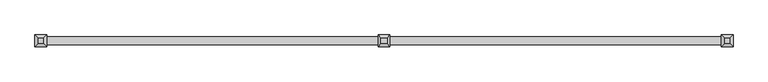
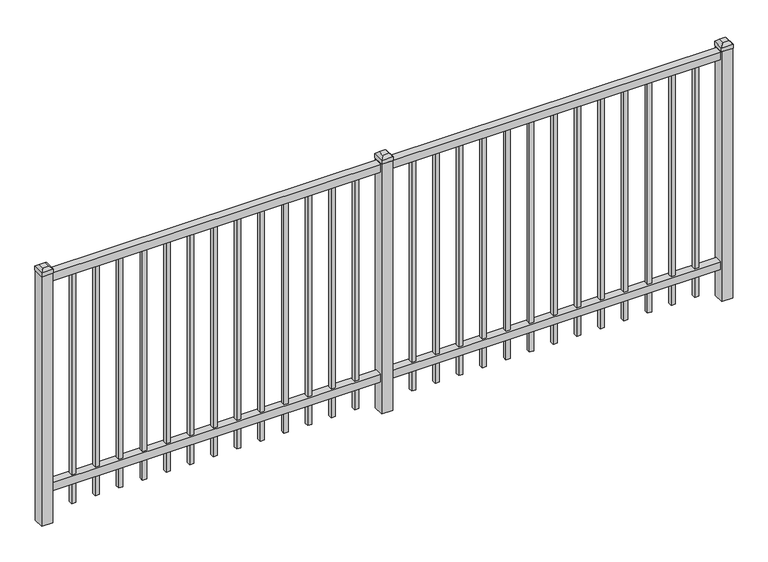
"""IFC4 building model written with IfcOpenShell, lengths in millimetres: railing geometry."""

import ifcopenshell
import ifcopenshell.guid

model = None  # the IFC model being written
_history = None  # IfcOwnerHistory: only IFC2X3 demands one
_inside = {}  # id of a spatial element -> (the spatial element, [elements in it])
_under = {}  # id of a project, library or spatial element -> (it, [spatial elements below it])
_declared = {}  # id of a project -> (the project, [libraries it declares])
_typed = {}  # id of a type object -> (the type object, [elements of that type])
_made_of = {}  # id of a material, layer set ... -> (it, [elements and type objects made of it])


def new_model(schema):
    """Start an empty IFC model of exactly this schema.

    Asked for "IFC4X3", IfcOpenShell would pick the latest addendum, in which some entities
    have other attributes; the version numbers below select the first issue.
    IFC2X3 requires an IfcOwnerHistory on every rooted entity: one is made here for all.
    """
    global model, _history
    if schema == "IFC4X3":
        model = ifcopenshell.file(schema_version=(4, 3, 0, 0))
    else:
        model = ifcopenshell.file(schema=schema)
    _inside.clear()
    _under.clear()
    _declared.clear()
    _typed.clear()
    _made_of.clear()
    _history = None
    if model.schema == "IFC2X3":
        org = make("IfcOrganization", Name="unknown")
        user = make(
            "IfcPersonAndOrganization",
            ThePerson=make("IfcPerson", FamilyName="unknown"),
            TheOrganization=org,
        )
        app = make(
            "IfcApplication",
            ApplicationDeveloper=org,
            Version="unknown",
            ApplicationFullName="unknown",
            ApplicationIdentifier="unknown",
        )
        _history = make(
            "IfcOwnerHistory",
            OwningUser=user,
            OwningApplication=app,
            ChangeAction="ADDED",
            CreationDate=0,
        )
    return model


def make(cls, **values):
    """One entity of the class cls with the attributes given. An attribute that is None is left unset."""
    return model.create_entity(
        cls, **{name: value for name, value in values.items() if value is not None}
    )


def rooted(cls, **values):
    """An entity with a GlobalId (a new one), such as an element, a storey or a relation."""
    return make(cls, GlobalId=ifcopenshell.guid.new(), OwnerHistory=_history, **values)


def si_unit(unit_type, name, prefix=None):
    """IfcSIUnit, for example si_unit("LENGTHUNIT", "METRE", prefix="MILLI")."""
    return make("IfcSIUnit", UnitType=unit_type, Prefix=prefix, Name=name)


def assignment(units):
    """IfcUnitAssignment: the units of a project."""
    return None if units is None else make("IfcUnitAssignment", Units=units)


def point(xyz):
    """IfcCartesianPoint."""
    return None if xyz is None else make("IfcCartesianPoint", Coordinates=xyz)


def direction(xyz):
    """IfcDirection."""
    return None if xyz is None else make("IfcDirection", DirectionRatios=xyz)


def frame(location, z_axis=None, x_axis=None):
    """IfcAxis2Placement3D, a coordinate frame: its origin and axes. An axis left out is left unset."""
    return make(
        "IfcAxis2Placement3D",
        Location=point(location),
        Axis=direction(z_axis),
        RefDirection=direction(x_axis),
    )


def origin():
    """The frame at (0, 0, 0) with its axes left unset."""
    return frame((0.0, 0.0, 0.0))


def origin_with_axes():
    """The frame at (0, 0, 0) with the z axis (0, 0, 1) and the x axis (1, 0, 0) written out."""
    return frame((0.0, 0.0, 0.0), z_axis=(0.0, 0.0, 1.0), x_axis=(1.0, 0.0, 0.0))


def place(relative_to, where):
    """IfcLocalPlacement: puts the frame where relative to a parent placement (None: the world)."""
    return make(
        "IfcLocalPlacement", PlacementRelTo=relative_to, RelativePlacement=where
    )


def context(
    kind, dimensions, precision=None, world=None, true_north=None, identifier=None
):
    """IfcGeometricRepresentationContext, for example the 3D "Model" context."""
    return make(
        "IfcGeometricRepresentationContext",
        ContextIdentifier=identifier,
        ContextType=kind,
        CoordinateSpaceDimension=dimensions,
        Precision=precision,
        WorldCoordinateSystem=world,
        TrueNorth=true_north,
    )


def project(units=None, contexts=None):
    """IfcProject with its units and contexts."""
    return rooted(
        "IfcProject",
        Name="project",
        RepresentationContexts=contexts,
        UnitsInContext=assignment(units),
    )


def spatial(cls, under=None, at=None, **own):
    """A site, building, storey or space (cls), placed at a placement, below another one or the project."""
    s = rooted(cls, ObjectPlacement=at, **own)
    if under is not None:
        _under.setdefault(under.id(), (under, []))[1].append(s)
    return s


def polyline(points):
    """IfcPolyline through the points."""
    return make("IfcPolyline", Points=[point(p) for p in points])


def outline(outer, holes=None, kind="AREA"):
    """IfcArbitraryClosedProfileDef: a profile drawn as a closed curve; with holes, ...WithVoids."""
    if holes is None:
        return make("IfcArbitraryClosedProfileDef", ProfileType=kind, OuterCurve=outer)
    return make(
        "IfcArbitraryProfileDefWithVoids",
        ProfileType=kind,
        OuterCurve=outer,
        InnerCurves=holes,
    )


def extrude(swept, where, along, depth):
    """IfcExtrudedAreaSolid: the profile swept, set in the frame where, extruded along a direction by depth."""
    return make(
        "IfcExtrudedAreaSolid",
        SweptArea=swept,
        Position=where,
        ExtrudedDirection=direction(along),
        Depth=depth,
    )


def faces_of(points, faces, orient=None, outer=None):
    """IfcFace entities. A face is a list of loops; a loop is a list of indices into points, from 0.

    orient and outer hold one flag for each loop. By default every Orientation is true, the
    first loop of a face is its IfcFaceOuterBound and the others are IfcFaceBound.
    """
    made = []
    for i, loops in enumerate(faces):
        bounds = []
        for j, loop in enumerate(loops):
            is_outer = j == 0 if outer is None else outer[i][j]
            bounds.append(
                make(
                    "IfcFaceOuterBound" if is_outer else "IfcFaceBound",
                    Bound=make("IfcPolyLoop", Polygon=[points[k] for k in loop]),
                    Orientation=True if orient is None else orient[i][j],
                )
            )
        made.append(make("IfcFace", Bounds=bounds))
    return made


def faceted_brep(points, faces, orient=None, outer=None, voids=None):
    """IfcFacetedBrep: a solid bounded by flat faces; with voids (closed shells), ...WithVoids."""
    shared = [point(p) for p in points]
    hull = make("IfcClosedShell", CfsFaces=faces_of(shared, faces, orient, outer))
    if voids is None:
        return make("IfcFacetedBrep", Outer=hull)
    return make(
        "IfcFacetedBrepWithVoids",
        Outer=hull,
        Voids=[
            make(cls, CfsFaces=faces_of(shared, fs, o, b)) for cls, fs, o, b in voids
        ],
    )


def shape(context_of_items, identifier, shape_type, items):
    """IfcShapeRepresentation: the items that make up one representation, for example the "Body"."""
    return make(
        "IfcShapeRepresentation",
        ContextOfItems=context_of_items,
        RepresentationIdentifier=identifier,
        RepresentationType=shape_type,
        Items=items,
    )


def source(mapping_origin, context_of_items, identifier, shape_type, items):
    """IfcRepresentationMap: a shape defined once, which mapped items show again and again."""
    return make(
        "IfcRepresentationMap",
        MappingOrigin=mapping_origin,
        MappedRepresentation=shape(context_of_items, identifier, shape_type, items),
    )


def transform(
    local_origin,
    x_axis=None,
    y_axis=None,
    z_axis=None,
    scale=None,
    scale2=None,
    scale3=None,
    uniform=True,
):
    """IfcCartesianTransformationOperator3D, or its non-uniform kind. x_axis, y_axis, z_axis: its Axis1, 2, 3."""
    if uniform:
        return make(
            "IfcCartesianTransformationOperator3D",
            Axis1=direction(x_axis),
            Axis2=direction(y_axis),
            LocalOrigin=point(local_origin),
            Scale=scale,
            Axis3=direction(z_axis),
        )
    return make(
        "IfcCartesianTransformationOperator3DnonUniform",
        Axis1=direction(x_axis),
        Axis2=direction(y_axis),
        LocalOrigin=point(local_origin),
        Scale=scale,
        Axis3=direction(z_axis),
        Scale2=scale2,
        Scale3=scale3,
    )


def mapped(mapping_source, mapping_target):
    """IfcMappedItem: shows the shape of a source again, moved by a transform."""
    return make(
        "IfcMappedItem", MappingSource=mapping_source, MappingTarget=mapping_target
    )


def made_of(thing, what):
    """Note that an element or type object is made of a material, layer set ...; save() writes the relation."""
    if what is not None:
        _made_of.setdefault(what.id(), (what, []))[1].append(thing)
    return thing


def element(
    cls,
    number,
    at=None,
    inside=None,
    cuts=None,
    type_object=None,
    material=None,
    context=None,
    identifier="Body",
    shape_type=None,
    held_by="IfcProductDefinitionShape",
    body=None,
    shapes=None,
    **own,
):
    """One element of the class cls, such as IfcWall. Its Tag is "e" and its number.

    at: its placement. inside: the storey or other place that contains it. cuts: it is an
    opening in that element (IfcRelVoidsElement). A single representation is given by context,
    identifier, shape_type and body (its items); several are given by shapes. held_by: the class
    of the entity that holds the representations. save() writes the other relations.
    """
    e = rooted(cls, Tag="e%d" % number, ObjectPlacement=at, **own)
    if body is not None:
        shapes = [shape(context, identifier, shape_type, body)]
    if shapes is not None:
        e.Representation = make(held_by, Representations=shapes)
    if inside is not None:
        _inside.setdefault(inside.id(), (inside, []))[1].append(e)
    if cuts is not None:
        rooted(
            "IfcRelVoidsElement", RelatingBuildingElement=cuts, RelatedOpeningElement=e
        )
    if type_object is not None:
        _typed.setdefault(type_object.id(), (type_object, []))[1].append(e)
    return made_of(e, material)


def aggregate(whole, parts):
    """IfcRelAggregates: a whole, such as a stair, and the parts it consists of."""
    return rooted("IfcRelAggregates", RelatingObject=whole, RelatedObjects=parts)


def save(model, path):
    """Write the relations noted so far, then the file.

    IfcRelAggregates (storeys below a building ...), IfcRelContainedInSpatialStructure (elements
    in a storey), IfcRelDefinesByType, IfcRelAssociatesMaterial and IfcRelDeclares: one each for
    every whole, place, type object, material and project.
    """
    for whole, parts in _under.values():
        aggregate(whole, parts)
    for where, things in _inside.values():
        rooted(
            "IfcRelContainedInSpatialStructure",
            RelatedElements=things,
            RelatingStructure=where,
        )
    for kind, things in _typed.values():
        rooted("IfcRelDefinesByType", RelatedObjects=things, RelatingType=kind)
    for what, things in _made_of.values():
        rooted("IfcRelAssociatesMaterial", RelatedObjects=things, RelatingMaterial=what)
    for by, libraries in _declared.values():
        rooted("IfcRelDeclares", RelatingContext=by, RelatedDefinitions=libraries)
    model.write(path)


def railing_e3d74f05(model_context):
    return source(origin(), model_context, "Body", "SolidModel", [
        extrude(outline(polyline([(-79633.318087, 5443.2804826), (-79633.318087, 5478.2054826), (-76483.718087, 5478.2054826), (-76483.718087, 5443.2804826), (-79633.318087, 5443.2804826)])), frame((0.0, 0.0, 1181.1), z_axis=(0.0, 0.0, 1.0), x_axis=(1.0, 0.0, 0.0)), (0.0, 0.0, 1.0), 38.1),
        extrude(outline(polyline([(-79633.318087, 5443.2804826), (-79633.318087, 5478.2054826), (-76483.718087, 5478.2054826), (-76483.718087, 5443.2804826), (-79633.318087, 5443.2804826)])), frame((0.0, 0.0, 152.4), z_axis=(0.0, 0.0, 1.0), x_axis=(1.0, 0.0, 0.0)), (0.0, 0.0, 1.0), 38.1),
        extrude(outline(polyline([(-76715.2285036, 5470.2679826), (-76715.2285036, 5451.2179826), (-76734.2785036, 5451.2179826), (-76734.2785036, 5470.2679826), (-76715.2285036, 5470.2679826)])), frame((0.0, 0.0, 50.8), z_axis=(0.0, 0.0, 1.0), x_axis=(1.0, 0.0, 0.0)), (0.0, 0.0, 1.0), 1130.3),
        extrude(outline(polyline([(-76824.5014203, 5470.2679826), (-76824.5014203, 5451.2179826), (-76843.5514203, 5451.2179826), (-76843.5514203, 5470.2679826), (-76824.5014203, 5470.2679826)])), frame((0.0, 0.0, 50.8), z_axis=(0.0, 0.0, 1.0), x_axis=(1.0, 0.0, 0.0)), (0.0, 0.0, 1.0), 1130.3),
        extrude(outline(polyline([(-76933.774337, 5470.2679826), (-76933.774337, 5451.2179826), (-76952.824337, 5451.2179826), (-76952.824337, 5470.2679826), (-76933.774337, 5470.2679826)])), frame((0.0, 0.0, 50.8), z_axis=(0.0, 0.0, 1.0), x_axis=(1.0, 0.0, 0.0)), (0.0, 0.0, 1.0), 1130.3),
        extrude(outline(polyline([(-77043.0472536, 5470.2679826), (-77043.0472536, 5451.2179826), (-77062.0972536, 5451.2179826), (-77062.0972536, 5470.2679826), (-77043.0472536, 5470.2679826)])), frame((0.0, 0.0, 50.8), z_axis=(0.0, 0.0, 1.0), x_axis=(1.0, 0.0, 0.0)), (0.0, 0.0, 1.0), 1130.3),
        extrude(outline(polyline([(-77152.3201703, 5470.2679826), (-77152.3201703, 5451.2179826), (-77171.3701703, 5451.2179826), (-77171.3701703, 5470.2679826), (-77152.3201703, 5470.2679826)])), frame((0.0, 0.0, 50.8), z_axis=(0.0, 0.0, 1.0), x_axis=(1.0, 0.0, 0.0)), (0.0, 0.0, 1.0), 1130.3),
        extrude(outline(polyline([(-77261.593087, 5470.2679826), (-77261.593087, 5451.2179826), (-77280.643087, 5451.2179826), (-77280.643087, 5470.2679826), (-77261.593087, 5470.2679826)])), frame((0.0, 0.0, 50.8), z_axis=(0.0, 0.0, 1.0), x_axis=(1.0, 0.0, 0.0)), (0.0, 0.0, 1.0), 1130.3),
        extrude(outline(polyline([(-77370.8660036, 5470.2679826), (-77370.8660036, 5451.2179826), (-77389.9160036, 5451.2179826), (-77389.9160036, 5470.2679826), (-77370.8660036, 5470.2679826)])), frame((0.0, 0.0, 50.8), z_axis=(0.0, 0.0, 1.0), x_axis=(1.0, 0.0, 0.0)), (0.0, 0.0, 1.0), 1130.3),
        extrude(outline(polyline([(-77480.1389203, 5470.2679826), (-77480.1389203, 5451.2179826), (-77499.1889203, 5451.2179826), (-77499.1889203, 5470.2679826), (-77480.1389203, 5470.2679826)])), frame((0.0, 0.0, 50.8), z_axis=(0.0, 0.0, 1.0), x_axis=(1.0, 0.0, 0.0)), (0.0, 0.0, 1.0), 1130.3),
        extrude(outline(polyline([(-77589.411837, 5470.2679826), (-77589.411837, 5451.2179826), (-77608.461837, 5451.2179826), (-77608.461837, 5470.2679826), (-77589.411837, 5470.2679826)])), frame((0.0, 0.0, 50.8), z_axis=(0.0, 0.0, 1.0), x_axis=(1.0, 0.0, 0.0)), (0.0, 0.0, 1.0), 1130.3),
        extrude(outline(polyline([(-77698.6847536, 5470.2679826), (-77698.6847536, 5451.2179826), (-77717.7347536, 5451.2179826), (-77717.7347536, 5470.2679826), (-77698.6847536, 5470.2679826)])), frame((0.0, 0.0, 50.8), z_axis=(0.0, 0.0, 1.0), x_axis=(1.0, 0.0, 0.0)), (0.0, 0.0, 1.0), 1130.3),
        extrude(outline(polyline([(-77807.9576703, 5470.2679826), (-77807.9576703, 5451.2179826), (-77827.0076703, 5451.2179826), (-77827.0076703, 5470.2679826), (-77807.9576703, 5470.2679826)])), frame((0.0, 0.0, 50.8), z_axis=(0.0, 0.0, 1.0), x_axis=(1.0, 0.0, 0.0)), (0.0, 0.0, 1.0), 1130.3),
        extrude(outline(polyline([(-76605.955587, 5470.2679826), (-76605.955587, 5451.2179826), (-76625.005587, 5451.2179826), (-76625.005587, 5470.2679826), (-76605.955587, 5470.2679826)])), frame((0.0, 0.0, 50.8), z_axis=(0.0, 0.0, 1.0), x_axis=(1.0, 0.0, 0.0)), (0.0, 0.0, 1.0), 1130.3),
        extrude(outline(polyline([(-77917.230587, 5470.2679826), (-77917.230587, 5451.2179826), (-77936.280587, 5451.2179826), (-77936.280587, 5470.2679826), (-77917.230587, 5470.2679826)])), frame((0.0, 0.0, 50.8), z_axis=(0.0, 0.0, 1.0), x_axis=(1.0, 0.0, 0.0)), (0.0, 0.0, 1.0), 1130.3),
        extrude(outline(polyline([(-78033.118087, 5486.1429826), (-78033.118087, 5435.3429826), (-78083.918087, 5435.3429826), (-78083.918087, 5486.1429826), (-78033.118087, 5486.1429826)])), origin_with_axes(), (0.0, 0.0, 1.0), 1225.55),
        faceted_brep([(-78085.505587, 5487.7304826, 1244.6), (-78085.505587, 5487.7304826, 1225.55), (-78085.505587, 5433.7554826, 1225.55), (-78085.505587, 5433.7554826, 1244.6), (-78072.805587, 5475.0304826, 1257.3), (-78072.805587, 5446.4554826, 1257.3), (-78031.530587, 5433.7554826, 1225.55), (-78031.530587, 5433.7554826, 1244.6), (-78044.230587, 5446.4554826, 1257.3), (-78031.530587, 5487.7304826, 1225.55), (-78031.530587, 5487.7304826, 1244.6), (-78044.230587, 5475.0304826, 1257.3)], [[[0, 1, 2, 3]], [[4, 0, 3, 5]], [[3, 2, 6, 7]], [[5, 3, 7, 8]], [[7, 6, 9, 10]], [[8, 7, 10, 11]], [[10, 9, 1, 0]], [[11, 10, 0, 4]], [[5, 8, 11, 4]], [[1, 9, 6, 2]]]),
        extrude(outline(polyline([(-78290.0285036, 5470.2679826), (-78290.0285036, 5451.2179826), (-78309.0785036, 5451.2179826), (-78309.0785036, 5470.2679826), (-78290.0285036, 5470.2679826)])), frame((0.0, 0.0, 50.8), z_axis=(0.0, 0.0, 1.0), x_axis=(1.0, 0.0, 0.0)), (0.0, 0.0, 1.0), 1130.3),
        extrude(outline(polyline([(-78399.3014203, 5470.2679826), (-78399.3014203, 5451.2179826), (-78418.3514203, 5451.2179826), (-78418.3514203, 5470.2679826), (-78399.3014203, 5470.2679826)])), frame((0.0, 0.0, 50.8), z_axis=(0.0, 0.0, 1.0), x_axis=(1.0, 0.0, 0.0)), (0.0, 0.0, 1.0), 1130.3),
        extrude(outline(polyline([(-78508.574337, 5470.2679826), (-78508.574337, 5451.2179826), (-78527.624337, 5451.2179826), (-78527.624337, 5470.2679826), (-78508.574337, 5470.2679826)])), frame((0.0, 0.0, 50.8), z_axis=(0.0, 0.0, 1.0), x_axis=(1.0, 0.0, 0.0)), (0.0, 0.0, 1.0), 1130.3),
        extrude(outline(polyline([(-78617.8472536, 5470.2679826), (-78617.8472536, 5451.2179826), (-78636.8972536, 5451.2179826), (-78636.8972536, 5470.2679826), (-78617.8472536, 5470.2679826)])), frame((0.0, 0.0, 50.8), z_axis=(0.0, 0.0, 1.0), x_axis=(1.0, 0.0, 0.0)), (0.0, 0.0, 1.0), 1130.3),
        extrude(outline(polyline([(-78727.1201703, 5470.2679826), (-78727.1201703, 5451.2179826), (-78746.1701703, 5451.2179826), (-78746.1701703, 5470.2679826), (-78727.1201703, 5470.2679826)])), frame((0.0, 0.0, 50.8), z_axis=(0.0, 0.0, 1.0), x_axis=(1.0, 0.0, 0.0)), (0.0, 0.0, 1.0), 1130.3),
        extrude(outline(polyline([(-78836.393087, 5470.2679826), (-78836.393087, 5451.2179826), (-78855.443087, 5451.2179826), (-78855.443087, 5470.2679826), (-78836.393087, 5470.2679826)])), frame((0.0, 0.0, 50.8), z_axis=(0.0, 0.0, 1.0), x_axis=(1.0, 0.0, 0.0)), (0.0, 0.0, 1.0), 1130.3),
        extrude(outline(polyline([(-78945.6660036, 5470.2679826), (-78945.6660036, 5451.2179826), (-78964.7160036, 5451.2179826), (-78964.7160036, 5470.2679826), (-78945.6660036, 5470.2679826)])), frame((0.0, 0.0, 50.8), z_axis=(0.0, 0.0, 1.0), x_axis=(1.0, 0.0, 0.0)), (0.0, 0.0, 1.0), 1130.3),
        extrude(outline(polyline([(-79054.9389203, 5470.2679826), (-79054.9389203, 5451.2179826), (-79073.9889203, 5451.2179826), (-79073.9889203, 5470.2679826), (-79054.9389203, 5470.2679826)])), frame((0.0, 0.0, 50.8), z_axis=(0.0, 0.0, 1.0), x_axis=(1.0, 0.0, 0.0)), (0.0, 0.0, 1.0), 1130.3),
        extrude(outline(polyline([(-79164.211837, 5470.2679826), (-79164.211837, 5451.2179826), (-79183.261837, 5451.2179826), (-79183.261837, 5470.2679826), (-79164.211837, 5470.2679826)])), frame((0.0, 0.0, 50.8), z_axis=(0.0, 0.0, 1.0), x_axis=(1.0, 0.0, 0.0)), (0.0, 0.0, 1.0), 1130.3),
        extrude(outline(polyline([(-79273.4847536, 5470.2679826), (-79273.4847536, 5451.2179826), (-79292.5347536, 5451.2179826), (-79292.5347536, 5470.2679826), (-79273.4847536, 5470.2679826)])), frame((0.0, 0.0, 50.8), z_axis=(0.0, 0.0, 1.0), x_axis=(1.0, 0.0, 0.0)), (0.0, 0.0, 1.0), 1130.3),
        extrude(outline(polyline([(-79382.7576703, 5470.2679826), (-79382.7576703, 5451.2179826), (-79401.8076703, 5451.2179826), (-79401.8076703, 5470.2679826), (-79382.7576703, 5470.2679826)])), frame((0.0, 0.0, 50.8), z_axis=(0.0, 0.0, 1.0), x_axis=(1.0, 0.0, 0.0)), (0.0, 0.0, 1.0), 1130.3),
        extrude(outline(polyline([(-78180.755587, 5470.2679826), (-78180.755587, 5451.2179826), (-78199.805587, 5451.2179826), (-78199.805587, 5470.2679826), (-78180.755587, 5470.2679826)])), frame((0.0, 0.0, 50.8), z_axis=(0.0, 0.0, 1.0), x_axis=(1.0, 0.0, 0.0)), (0.0, 0.0, 1.0), 1130.3),
        extrude(outline(polyline([(-79492.030587, 5470.2679826), (-79492.030587, 5451.2179826), (-79511.080587, 5451.2179826), (-79511.080587, 5470.2679826), (-79492.030587, 5470.2679826)])), frame((0.0, 0.0, 50.8), z_axis=(0.0, 0.0, 1.0), x_axis=(1.0, 0.0, 0.0)), (0.0, 0.0, 1.0), 1130.3),
        extrude(outline(polyline([(-76458.318087, 5486.1429826), (-76458.318087, 5435.3429826), (-76509.118087, 5435.3429826), (-76509.118087, 5486.1429826), (-76458.318087, 5486.1429826)])), origin_with_axes(), (0.0, 0.0, 1.0), 1225.55),
        faceted_brep([(-76510.705587, 5487.7304826, 1244.6), (-76510.705587, 5487.7304826, 1225.55), (-76510.705587, 5433.7554826, 1225.55), (-76510.705587, 5433.7554826, 1244.6), (-76498.005587, 5475.0304826, 1257.3), (-76498.005587, 5446.4554826, 1257.3), (-76456.730587, 5433.7554826, 1225.55), (-76456.730587, 5433.7554826, 1244.6), (-76469.430587, 5446.4554826, 1257.3), (-76456.730587, 5487.7304826, 1225.55), (-76456.730587, 5487.7304826, 1244.6), (-76469.430587, 5475.0304826, 1257.3)], [[[0, 1, 2, 3]], [[4, 0, 3, 5]], [[3, 2, 6, 7]], [[5, 3, 7, 8]], [[7, 6, 9, 10]], [[8, 7, 10, 11]], [[10, 9, 1, 0]], [[11, 10, 0, 4]], [[5, 8, 11, 4]], [[1, 9, 6, 2]]]),
        extrude(outline(polyline([(-79607.918087, 5486.1429826), (-79607.918087, 5435.3429826), (-79658.718087, 5435.3429826), (-79658.718087, 5486.1429826), (-79607.918087, 5486.1429826)])), origin_with_axes(), (0.0, 0.0, 1.0), 1225.55),
        faceted_brep([(-79660.305587, 5487.7304826, 1244.6), (-79660.305587, 5487.7304826, 1225.55), (-79660.305587, 5433.7554826, 1225.55), (-79660.305587, 5433.7554826, 1244.6), (-79647.605587, 5475.0304826, 1257.3), (-79647.605587, 5446.4554826, 1257.3), (-79606.330587, 5433.7554826, 1225.55), (-79606.330587, 5433.7554826, 1244.6), (-79619.030587, 5446.4554826, 1257.3), (-79606.330587, 5487.7304826, 1225.55), (-79606.330587, 5487.7304826, 1244.6), (-79619.030587, 5475.0304826, 1257.3)], [[[0, 1, 2, 3]], [[4, 0, 3, 5]], [[3, 2, 6, 7]], [[5, 3, 7, 8]], [[7, 6, 9, 10]], [[8, 7, 10, 11]], [[10, 9, 1, 0]], [[11, 10, 0, 4]], [[5, 8, 11, 4]], [[1, 9, 6, 2]]]),
    ])


if __name__ == "__main__":
    model = new_model("IFC4")
    model_context = context("Model", 3, world=origin())
    ifc_project = project(units=[si_unit("LENGTHUNIT", "METRE", prefix="MILLI")], contexts=[model_context])
    site = spatial("IfcSite", under=ifc_project)
    building = spatial("IfcBuilding", under=site)
    placement = place(None, origin())
    railing_shape = railing_e3d74f05(model_context)
    element("IfcRailing", 1, at=placement, inside=building, context=model_context, shape_type="MappedRepresentation", body=[
        mapped(railing_shape, transform((0.0, 0.0, 0.0), x_axis=(1.0, 0.0, 0.0), y_axis=(0.0, 1.0, 0.0), z_axis=(0.0, 0.0, 1.0))),
    ])
    save(model, "model.ifc")
